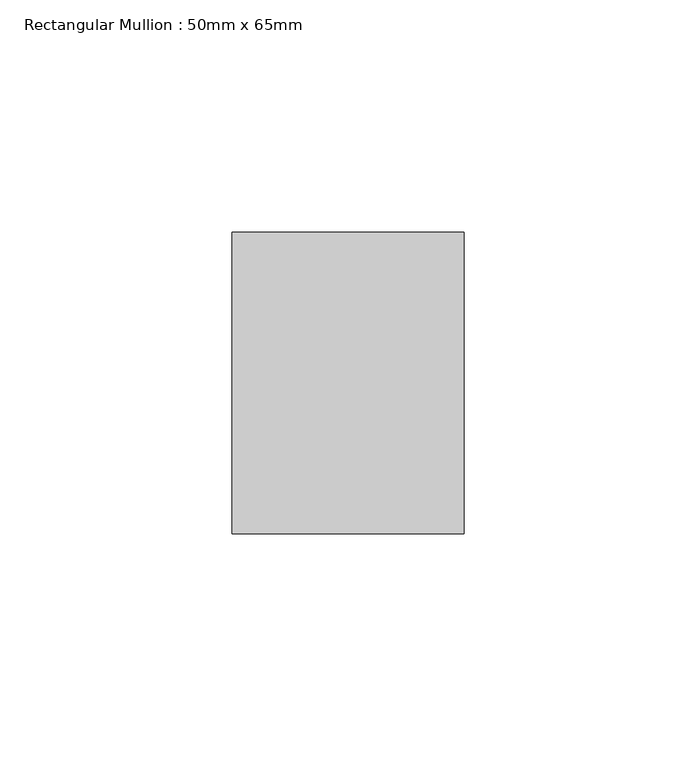
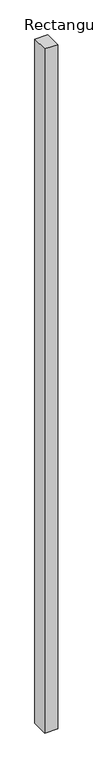
"""IFC4 building model written with IfcOpenShell, lengths in millimetres: member geometry, Rectangular Mullion : 50mm x 65mm."""

from ifc_helpers import new_model, si_unit, frame, origin, place, context, project, spatial, polyline, outline, extrude, source, transform, mapped, element, save


def rectangular_mullion_50mm_x_65mm_7a916ddb(model_context):
    return source(origin(), model_context, "Body", "SweptSolid", [
        extrude(outline(polyline([(25.0, 32.5), (25.0, -32.5), (-25.0, -32.5), (-25.0, 32.5), (25.0, 32.5)])), frame((0.0, 0.0, -2773.8915034), z_axis=(0.0, 0.0, 1.0), x_axis=(1.0, 0.0, 0.0)), (0.0, 0.0, 1.0), 2773.8915034),
    ])


if __name__ == "__main__":
    model = new_model("IFC4")
    model_context = context("Model", 3, world=origin())
    ifc_project = project(units=[si_unit("LENGTHUNIT", "METRE", prefix="MILLI")], contexts=[model_context])
    site = spatial("IfcSite", under=ifc_project)
    building = spatial("IfcBuilding", under=site)
    placement = place(None, origin())
    rectangular_mullion_50mm_x_65mm_shape = rectangular_mullion_50mm_x_65mm_7a916ddb(model_context)
    element("IfcMember", 1, ObjectType="Rectangular Mullion : 50mm x 65mm", at=placement, inside=building, context=model_context, shape_type="MappedRepresentation", body=[
        mapped(rectangular_mullion_50mm_x_65mm_shape, transform((0.0, 0.0, 0.0), x_axis=(1.0, 0.0, 0.0), y_axis=(0.0, 1.0, 0.0), z_axis=(0.0, 0.0, 1.0))),
    ])
    save(model, "model.ifc")
